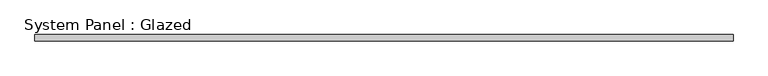
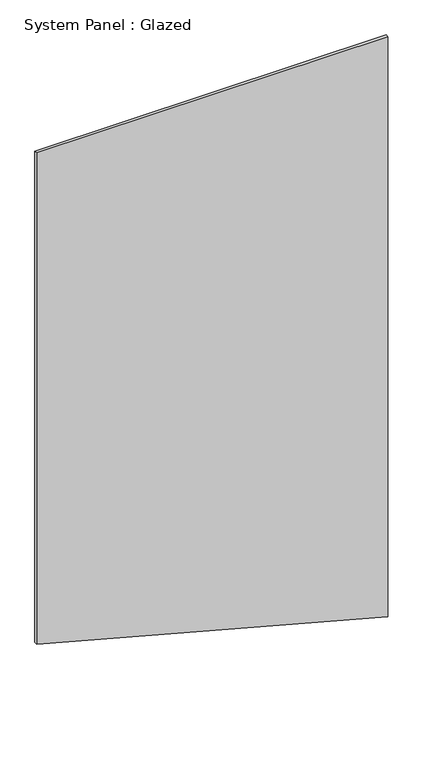
"""IFC4 building model written with IfcOpenShell, lengths in millimetres: plate geometry, System Panel : Glazed."""

from ifc_helpers import new_model, si_unit, frame, origin, place, context, project, spatial, polyline, outline, extrude, source, transform, mapped, element, save


def system_panel_glazed_a5093601(model_context):
    return source(origin(), model_context, "Body", "SweptSolid", [
        extrude(outline(polyline([(763.6551984, -1425.0), (0.0, 1425.0), (4977.1565912, 1425.0), (4977.1565912, -1425.0), (763.6551984, -1425.0)])), frame((0.0, -22.5, 0.0), z_axis=(0.0, 1.0, 0.0), x_axis=(0.0, 0.0, 1.0)), (0.0, 0.0, 1.0), 25.0),
    ])


if __name__ == "__main__":
    model = new_model("IFC4")
    model_context = context("Model", 3, world=origin())
    ifc_project = project(units=[si_unit("LENGTHUNIT", "METRE", prefix="MILLI")], contexts=[model_context])
    site = spatial("IfcSite", under=ifc_project)
    building = spatial("IfcBuilding", under=site)
    placement = place(None, origin())
    system_panel_glazed_shape = system_panel_glazed_a5093601(model_context)
    element("IfcPlate", 1, ObjectType="System Panel : Glazed", at=placement, inside=building, context=model_context, shape_type="MappedRepresentation", body=[
        mapped(system_panel_glazed_shape, transform((0.0, 0.0, 0.0), x_axis=(1.0, 0.0, 0.0), y_axis=(0.0, 1.0, 0.0), z_axis=(0.0, 0.0, 1.0))),
    ])
    save(model, "model.ifc")
